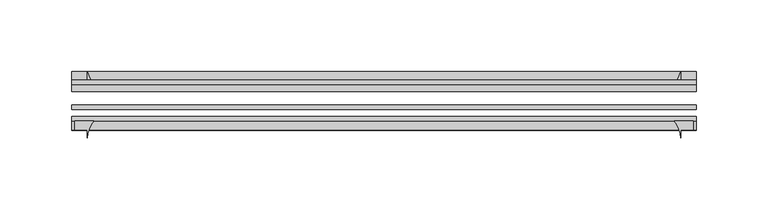
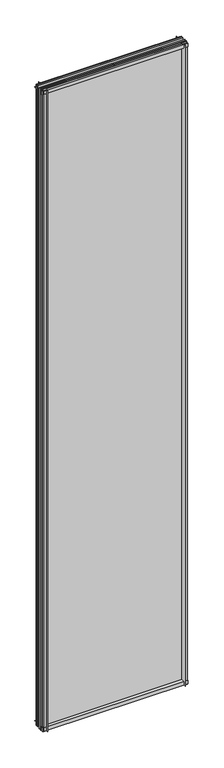
"""IFC4 building model written with IfcOpenShell, lengths in millimetres: plate geometry."""

from ifc_helpers import new_model, si_unit, point, frame, frame_2d, origin, place, context, project, spatial, polyline, circle_curve, trimmed, segment, composite_curve, outline, extrude, source, transform, mapped, element, save


def plate_d3991e94(model_context):
    return source(origin(), model_context, "Body", "SweptSolid", [
        extrude(outline(composite_curve([segment(polyline([(-42.891075, -11.1125), (-42.891075, 3.8539528)]), True, "CONTINUOUS"), segment(trimmed(circle_curve(frame_2d((-26.637892, 29.5913262)), 30.4397495), [point((-42.891075, 3.8539528))], [point((-33.7745413, 0.0))], True, "CARTESIAN"), True, "CONTINUOUS"), segment(polyline([(-33.7745413, 0.0), (-39.690675, 0.0), (-39.690675, -11.1125), (-42.891075, -11.1125)]), True, "CONTINUOUS")], self_intersect=False)), frame((-218.28125, 0.0, 0.0), z_axis=(1.0, 0.0, 0.0), x_axis=(0.0, 1.0, 0.0)), (0.0, 0.0, 1.0), 436.5625),
        extrude(outline(composite_curve([segment(trimmed(circle_curve(frame_2d((-80.4922797, 17.8701603)), 18.6769817), [point((-74.641075, 0.1333891))], [point((-68.291075, 3.72943))], True, "CARTESIAN"), True, "CONTINUOUS"), segment(polyline([(-68.291075, 3.72943), (-68.291075, -10.3251), (-74.641075, -10.3251), (-74.641075, 0.1333891)]), True, "CONTINUOUS")], self_intersect=False)), frame((-218.28125, 0.0, 0.0), z_axis=(1.0, 0.0, 0.0), x_axis=(0.0, 1.0, 0.0)), (0.0, 0.0, 1.0), 436.5625),
        extrude(outline(composite_curve([segment(polyline([(-42.891075, 2005.9083472), (-42.891075, 2020.8875), (-39.690675, 2020.8875), (-39.690675, 2009.775), (-33.721675, 2009.775)]), True, "CONTINUOUS"), segment(trimmed(circle_curve(frame_2d((-26.637892, 1980.1709738)), 30.4397495), [point((-33.721675, 2009.775))], [point((-42.891075, 2005.9083472))], True, "CARTESIAN"), True, "CONTINUOUS")], self_intersect=False)), frame((-218.28125, 0.0, 0.0), z_axis=(1.0, 0.0, 0.0), x_axis=(0.0, 1.0, 0.0)), (0.0, 0.0, 1.0), 436.5625),
        extrude(outline(composite_curve([segment(polyline([(-68.291075, 2018.5126), (-68.291075, 2005.23912)]), True, "CONTINUOUS"), segment(trimmed(circle_curve(frame_2d((-80.4922797, 1991.0983897)), 18.6769817), [point((-68.291075, 2005.23912))], [point((-74.641075, 2008.8351609))], True, "CARTESIAN"), True, "CONTINUOUS"), segment(polyline([(-74.641075, 2008.8351609), (-74.641075, 2018.5126), (-68.291075, 2018.5126)]), True, "CONTINUOUS")], self_intersect=False)), frame((-218.28125, 0.0, 0.0), z_axis=(1.0, 0.0, 0.0), x_axis=(0.0, 1.0, 0.0)), (0.0, 0.0, 1.0), 436.5625),
        extrude(outline(composite_curve([segment(polyline([(202.63287, -68.291075), (215.90635, -68.291075), (215.90635, -74.641075), (207.16875, -74.641075), (207.16875, -80.3744844)]), True, "CONTINUOUS"), segment(trimmed(circle_curve(frame_2d((188.4921397, -80.4922797)), 18.6769817), [point((207.16875, -80.3744844))], [point((202.63287, -68.291075))], True, "CARTESIAN"), True, "CONTINUOUS")], self_intersect=False)), frame((0.0, 0.0, -11.1125), z_axis=(0.0, 0.0, 1.0), x_axis=(1.0, 0.0, 0.0)), (0.0, 0.0, 1.0), 2032.0),
        extrude(outline(composite_curve([segment(trimmed(circle_curve(frame_2d((177.5647238, -26.637892)), 30.4397495), [point((203.3020972, -42.891075))], [point((207.16875, -33.721675))], True, "CARTESIAN"), True, "CONTINUOUS"), segment(polyline([(207.16875, -33.721675), (207.16875, -39.690675), (218.28125, -39.690675), (218.28125, -42.891075), (203.3020972, -42.891075)]), True, "CONTINUOUS")], self_intersect=False)), frame((0.0, 0.0, -11.1125), z_axis=(0.0, 0.0, 1.0), x_axis=(1.0, 0.0, 0.0)), (0.0, 0.0, 1.0), 2032.0),
        extrude(outline(composite_curve([segment(trimmed(circle_curve(frame_2d((-188.4921397, -80.4922797)), 18.6769817), [point((-202.63287, -68.291075))], [point((-207.16875, -80.3744844))], True, "CARTESIAN"), True, "CONTINUOUS"), segment(polyline([(-207.16875, -80.3744844), (-207.16875, -74.641075), (-215.90635, -74.641075), (-215.90635, -68.291075), (-202.63287, -68.291075)]), True, "CONTINUOUS")], self_intersect=False)), frame((0.0, 0.0, -11.1125), z_axis=(0.0, 0.0, 1.0), x_axis=(1.0, 0.0, 0.0)), (0.0, 0.0, 1.0), 2032.0),
        extrude(outline(composite_curve([segment(polyline([(-203.3020972, -42.891075), (-218.28125, -42.891075), (-218.28125, -39.690675), (-207.16875, -39.690675), (-207.16875, -33.721675)]), True, "CONTINUOUS"), segment(trimmed(circle_curve(frame_2d((-177.5647238, -26.637892)), 30.4397495), [point((-207.16875, -33.721675))], [point((-203.3020972, -42.891075))], True, "CARTESIAN"), True, "CONTINUOUS")], self_intersect=False)), frame((0.0, 0.0, -11.1125), z_axis=(0.0, 0.0, 1.0), x_axis=(1.0, 0.0, 0.0)), (0.0, 0.0, 1.0), 2032.0),
        extrude(outline(polyline([(-218.28125, -42.891075), (218.28125, -42.891075), (218.28125, -47.653575), (-218.28125, -47.653575), (-218.28125, -42.891075)])), frame((0.0, 0.0, -11.1125), z_axis=(0.0, 0.0, 1.0), x_axis=(1.0, 0.0, 0.0)), (0.0, 0.0, 1.0), 2032.0),
        extrude(outline(polyline([(218.28125, -57.369075), (218.28125, -60.544075), (-218.28125, -60.544075), (-218.28125, -57.369075), (218.28125, -57.369075)])), frame((0.0, 0.0, -11.1125), z_axis=(0.0, 0.0, 1.0), x_axis=(1.0, 0.0, 0.0)), (0.0, 0.0, 1.0), 2032.0),
        extrude(outline(polyline([(-218.28125, -65.116075), (218.28125, -65.116075), (218.28125, -68.291075), (-218.28125, -68.291075), (-218.28125, -65.116075)])), frame((0.0, 0.0, -11.1125), z_axis=(0.0, 0.0, 1.0), x_axis=(1.0, 0.0, 0.0)), (0.0, 0.0, 1.0), 2032.0),
    ])


if __name__ == "__main__":
    model = new_model("IFC4")
    model_context = context("Model", 3, world=origin())
    ifc_project = project(units=[si_unit("LENGTHUNIT", "METRE", prefix="MILLI")], contexts=[model_context])
    site = spatial("IfcSite", under=ifc_project)
    building = spatial("IfcBuilding", under=site)
    placement = place(None, origin())
    plate_shape = plate_d3991e94(model_context)
    element("IfcPlate", 1, at=placement, inside=building, context=model_context, shape_type="MappedRepresentation", body=[
        mapped(plate_shape, transform((0.0, 0.0, 0.0), x_axis=(1.0, 0.0, 0.0), y_axis=(0.0, 1.0, 0.0), z_axis=(0.0, 0.0, 1.0))),
    ])
    save(model, "model.ifc")
